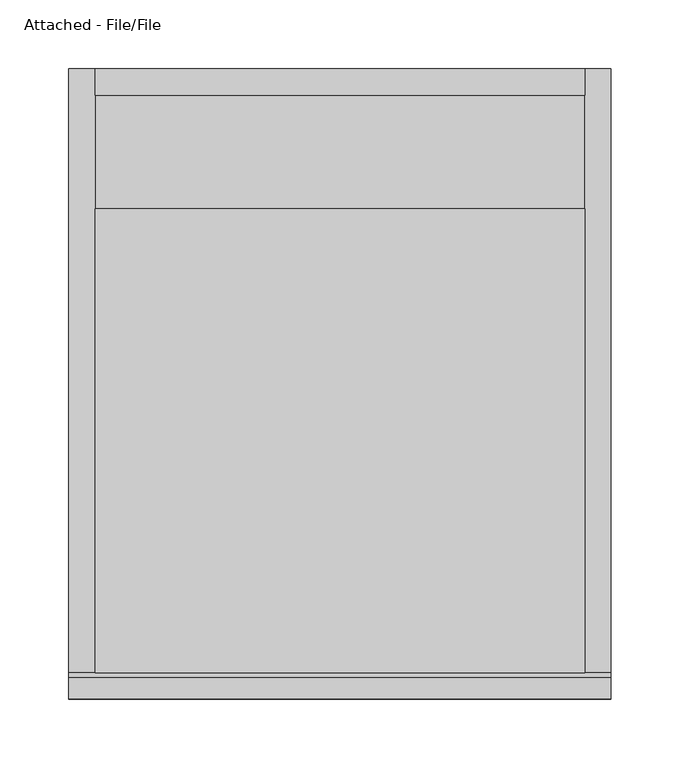
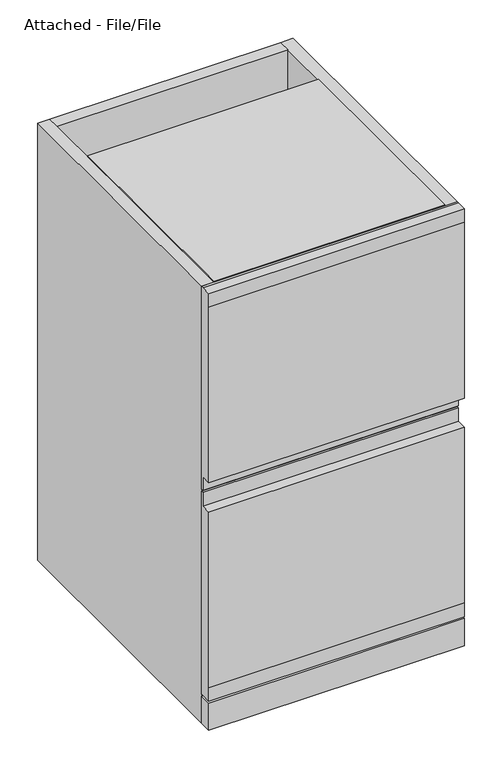
"""IFC4 building model written with IfcOpenShell, lengths in millimetres: furniture geometry, Attached - File/File."""

import ifcopenshell
import ifcopenshell.guid

model = None  # the IFC model being written
_history = None  # IfcOwnerHistory: only IFC2X3 demands one
_inside = {}  # id of a spatial element -> (the spatial element, [elements in it])
_under = {}  # id of a project, library or spatial element -> (it, [spatial elements below it])
_declared = {}  # id of a project -> (the project, [libraries it declares])
_typed = {}  # id of a type object -> (the type object, [elements of that type])
_made_of = {}  # id of a material, layer set ... -> (it, [elements and type objects made of it])


def new_model(schema):
    """Start an empty IFC model of exactly this schema.

    Asked for "IFC4X3", IfcOpenShell would pick the latest addendum, in which some entities
    have other attributes; the version numbers below select the first issue.
    IFC2X3 requires an IfcOwnerHistory on every rooted entity: one is made here for all.
    """
    global model, _history
    if schema == "IFC4X3":
        model = ifcopenshell.file(schema_version=(4, 3, 0, 0))
    else:
        model = ifcopenshell.file(schema=schema)
    _inside.clear()
    _under.clear()
    _declared.clear()
    _typed.clear()
    _made_of.clear()
    _history = None
    if model.schema == "IFC2X3":
        org = make("IfcOrganization", Name="unknown")
        user = make(
            "IfcPersonAndOrganization",
            ThePerson=make("IfcPerson", FamilyName="unknown"),
            TheOrganization=org,
        )
        app = make(
            "IfcApplication",
            ApplicationDeveloper=org,
            Version="unknown",
            ApplicationFullName="unknown",
            ApplicationIdentifier="unknown",
        )
        _history = make(
            "IfcOwnerHistory",
            OwningUser=user,
            OwningApplication=app,
            ChangeAction="ADDED",
            CreationDate=0,
        )
    return model


def make(cls, **values):
    """One entity of the class cls with the attributes given. An attribute that is None is left unset."""
    return model.create_entity(
        cls, **{name: value for name, value in values.items() if value is not None}
    )


def rooted(cls, **values):
    """An entity with a GlobalId (a new one), such as an element, a storey or a relation."""
    return make(cls, GlobalId=ifcopenshell.guid.new(), OwnerHistory=_history, **values)


def si_unit(unit_type, name, prefix=None):
    """IfcSIUnit, for example si_unit("LENGTHUNIT", "METRE", prefix="MILLI")."""
    return make("IfcSIUnit", UnitType=unit_type, Prefix=prefix, Name=name)


def assignment(units):
    """IfcUnitAssignment: the units of a project."""
    return None if units is None else make("IfcUnitAssignment", Units=units)


def point(xyz):
    """IfcCartesianPoint."""
    return None if xyz is None else make("IfcCartesianPoint", Coordinates=xyz)


def direction(xyz):
    """IfcDirection."""
    return None if xyz is None else make("IfcDirection", DirectionRatios=xyz)


def frame(location, z_axis=None, x_axis=None):
    """IfcAxis2Placement3D, a coordinate frame: its origin and axes. An axis left out is left unset."""
    return make(
        "IfcAxis2Placement3D",
        Location=point(location),
        Axis=direction(z_axis),
        RefDirection=direction(x_axis),
    )


def origin():
    """The frame at (0, 0, 0) with its axes left unset."""
    return frame((0.0, 0.0, 0.0))


def origin_with_axes():
    """The frame at (0, 0, 0) with the z axis (0, 0, 1) and the x axis (1, 0, 0) written out."""
    return frame((0.0, 0.0, 0.0), z_axis=(0.0, 0.0, 1.0), x_axis=(1.0, 0.0, 0.0))


def place(relative_to, where):
    """IfcLocalPlacement: puts the frame where relative to a parent placement (None: the world)."""
    return make(
        "IfcLocalPlacement", PlacementRelTo=relative_to, RelativePlacement=where
    )


def context(
    kind, dimensions, precision=None, world=None, true_north=None, identifier=None
):
    """IfcGeometricRepresentationContext, for example the 3D "Model" context."""
    return make(
        "IfcGeometricRepresentationContext",
        ContextIdentifier=identifier,
        ContextType=kind,
        CoordinateSpaceDimension=dimensions,
        Precision=precision,
        WorldCoordinateSystem=world,
        TrueNorth=true_north,
    )


def project(units=None, contexts=None):
    """IfcProject with its units and contexts."""
    return rooted(
        "IfcProject",
        Name="project",
        RepresentationContexts=contexts,
        UnitsInContext=assignment(units),
    )


def spatial(cls, under=None, at=None, **own):
    """A site, building, storey or space (cls), placed at a placement, below another one or the project."""
    s = rooted(cls, ObjectPlacement=at, **own)
    if under is not None:
        _under.setdefault(under.id(), (under, []))[1].append(s)
    return s


def polyline(points):
    """IfcPolyline through the points."""
    return make("IfcPolyline", Points=[point(p) for p in points])


def outline(outer, holes=None, kind="AREA"):
    """IfcArbitraryClosedProfileDef: a profile drawn as a closed curve; with holes, ...WithVoids."""
    if holes is None:
        return make("IfcArbitraryClosedProfileDef", ProfileType=kind, OuterCurve=outer)
    return make(
        "IfcArbitraryProfileDefWithVoids",
        ProfileType=kind,
        OuterCurve=outer,
        InnerCurves=holes,
    )


def extrude(swept, where, along, depth):
    """IfcExtrudedAreaSolid: the profile swept, set in the frame where, extruded along a direction by depth."""
    return make(
        "IfcExtrudedAreaSolid",
        SweptArea=swept,
        Position=where,
        ExtrudedDirection=direction(along),
        Depth=depth,
    )


def shape(context_of_items, identifier, shape_type, items):
    """IfcShapeRepresentation: the items that make up one representation, for example the "Body"."""
    return make(
        "IfcShapeRepresentation",
        ContextOfItems=context_of_items,
        RepresentationIdentifier=identifier,
        RepresentationType=shape_type,
        Items=items,
    )


def source(mapping_origin, context_of_items, identifier, shape_type, items):
    """IfcRepresentationMap: a shape defined once, which mapped items show again and again."""
    return make(
        "IfcRepresentationMap",
        MappingOrigin=mapping_origin,
        MappedRepresentation=shape(context_of_items, identifier, shape_type, items),
    )


def transform(
    local_origin,
    x_axis=None,
    y_axis=None,
    z_axis=None,
    scale=None,
    scale2=None,
    scale3=None,
    uniform=True,
):
    """IfcCartesianTransformationOperator3D, or its non-uniform kind. x_axis, y_axis, z_axis: its Axis1, 2, 3."""
    if uniform:
        return make(
            "IfcCartesianTransformationOperator3D",
            Axis1=direction(x_axis),
            Axis2=direction(y_axis),
            LocalOrigin=point(local_origin),
            Scale=scale,
            Axis3=direction(z_axis),
        )
    return make(
        "IfcCartesianTransformationOperator3DnonUniform",
        Axis1=direction(x_axis),
        Axis2=direction(y_axis),
        LocalOrigin=point(local_origin),
        Scale=scale,
        Axis3=direction(z_axis),
        Scale2=scale2,
        Scale3=scale3,
    )


def mapped(mapping_source, mapping_target):
    """IfcMappedItem: shows the shape of a source again, moved by a transform."""
    return make(
        "IfcMappedItem", MappingSource=mapping_source, MappingTarget=mapping_target
    )


def made_of(thing, what):
    """Note that an element or type object is made of a material, layer set ...; save() writes the relation."""
    if what is not None:
        _made_of.setdefault(what.id(), (what, []))[1].append(thing)
    return thing


def element(
    cls,
    number,
    at=None,
    inside=None,
    cuts=None,
    type_object=None,
    material=None,
    context=None,
    identifier="Body",
    shape_type=None,
    held_by="IfcProductDefinitionShape",
    body=None,
    shapes=None,
    **own,
):
    """One element of the class cls, such as IfcWall. Its Tag is "e" and its number.

    at: its placement. inside: the storey or other place that contains it. cuts: it is an
    opening in that element (IfcRelVoidsElement). A single representation is given by context,
    identifier, shape_type and body (its items); several are given by shapes. held_by: the class
    of the entity that holds the representations. save() writes the other relations.
    """
    e = rooted(cls, Tag="e%d" % number, ObjectPlacement=at, **own)
    if body is not None:
        shapes = [shape(context, identifier, shape_type, body)]
    if shapes is not None:
        e.Representation = make(held_by, Representations=shapes)
    if inside is not None:
        _inside.setdefault(inside.id(), (inside, []))[1].append(e)
    if cuts is not None:
        rooted(
            "IfcRelVoidsElement", RelatingBuildingElement=cuts, RelatedOpeningElement=e
        )
    if type_object is not None:
        _typed.setdefault(type_object.id(), (type_object, []))[1].append(e)
    return made_of(e, material)


def aggregate(whole, parts):
    """IfcRelAggregates: a whole, such as a stair, and the parts it consists of."""
    return rooted("IfcRelAggregates", RelatingObject=whole, RelatedObjects=parts)


def save(model, path):
    """Write the relations noted so far, then the file.

    IfcRelAggregates (storeys below a building ...), IfcRelContainedInSpatialStructure (elements
    in a storey), IfcRelDefinesByType, IfcRelAssociatesMaterial and IfcRelDeclares: one each for
    every whole, place, type object, material and project.
    """
    for whole, parts in _under.values():
        aggregate(whole, parts)
    for where, things in _inside.values():
        rooted(
            "IfcRelContainedInSpatialStructure",
            RelatedElements=things,
            RelatingStructure=where,
        )
    for kind, things in _typed.values():
        rooted("IfcRelDefinesByType", RelatedObjects=things, RelatingType=kind)
    for what, things in _made_of.values():
        rooted("IfcRelAssociatesMaterial", RelatedObjects=things, RelatingMaterial=what)
    for by, libraries in _declared.values():
        rooted("IfcRelDeclares", RelatingContext=by, RelatedDefinitions=libraries)
    model.write(path)


def attached_file_file_36a0fda7(model_context):
    return source(origin(), model_context, "Body", "SweptSolid", [
        extrude(outline(polyline([(-441.325, 711.2), (-438.15, 711.2), (-438.15, 381.0), (-441.325, 381.0), (-441.325, 403.225), (-457.2, 403.225), (-457.2, 688.975), (-457.2, 711.2), (-441.325, 711.2)])), frame((-196.85, 0.0, 0.0), z_axis=(1.0, 0.0, 0.0), x_axis=(0.0, 1.0, 0.0)), (0.0, 0.0, 1.0), 393.7),
        extrude(outline(polyline([(-441.325, 377.825), (-438.15, 377.825), (-438.15, 47.625), (-441.325, 47.625), (-457.2, 47.625), (-457.2, 69.85), (-457.2, 355.6), (-441.325, 355.6), (-441.325, 377.825)])), frame((-196.85, 0.0, 0.0), z_axis=(1.0, 0.0, 0.0), x_axis=(0.0, 1.0, 0.0)), (0.0, 0.0, 1.0), 393.7),
        extrude(outline(polyline([(-177.8, 0.0), (177.8, 0.0), (177.8, -438.15), (-177.8, -438.15), (-177.8, 0.0)])), origin_with_axes(), (0.0, 0.0, 1.0), 19.05),
        extrude(outline(polyline([(-177.8, 0.0), (177.8, 0.0), (177.8, -19.05), (-177.8, -19.05), (-177.8, 0.0)])), frame((0.0, 0.0, 492.125), z_axis=(0.0, 0.0, 1.0), x_axis=(1.0, 0.0, 0.0)), (0.0, 0.0, 1.0), 219.075),
        extrude(outline(polyline([(-177.8, -101.6), (177.8, -101.6), (177.8, -438.15), (-177.8, -438.15), (-177.8, -101.6)])), frame((0.0, 0.0, 693.7375), z_axis=(0.0, 0.0, 1.0), x_axis=(1.0, 0.0, 0.0)), (0.0, 0.0, 1.0), 19.05),
        extrude(outline(polyline([(196.85, 0.0), (196.85, -438.15), (177.8, -438.15), (177.8, 0.0), (196.85, 0.0)])), origin_with_axes(), (0.0, 0.0, 1.0), 711.2),
        extrude(outline(polyline([(196.85, -438.15), (196.85, -457.2), (-196.85, -457.2), (-196.85, -438.15), (196.85, -438.15)])), origin_with_axes(), (0.0, 0.0, 1.0), 44.45),
        extrude(outline(polyline([(-177.8, 0.0), (-177.8, -438.15), (-196.85, -438.15), (-196.85, 0.0), (-177.8, 0.0)])), origin_with_axes(), (0.0, 0.0, 1.0), 711.2),
    ])


if __name__ == "__main__":
    model = new_model("IFC4")
    model_context = context("Model", 3, world=origin())
    ifc_project = project(units=[si_unit("LENGTHUNIT", "METRE", prefix="MILLI")], contexts=[model_context])
    site = spatial("IfcSite", under=ifc_project)
    building = spatial("IfcBuilding", under=site)
    placement = place(None, origin())
    attached_file_file_shape = attached_file_file_36a0fda7(model_context)
    element("IfcFurniture", 1, ObjectType="Attached - File/File", at=placement, inside=building, context=model_context, shape_type="MappedRepresentation", body=[
        mapped(attached_file_file_shape, transform((0.0, 0.0, 0.0), x_axis=(1.0, 0.0, 0.0), y_axis=(0.0, 1.0, 0.0), z_axis=(0.0, 0.0, 1.0))),
    ])
    save(model, "model.ifc")
